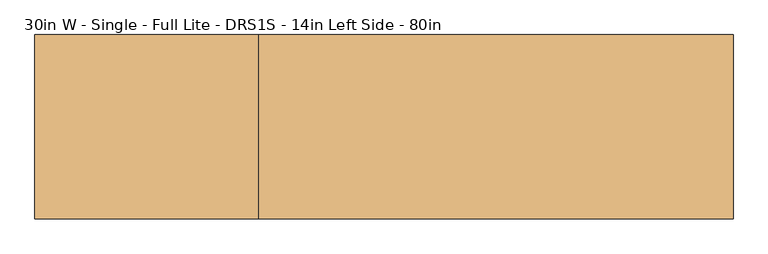
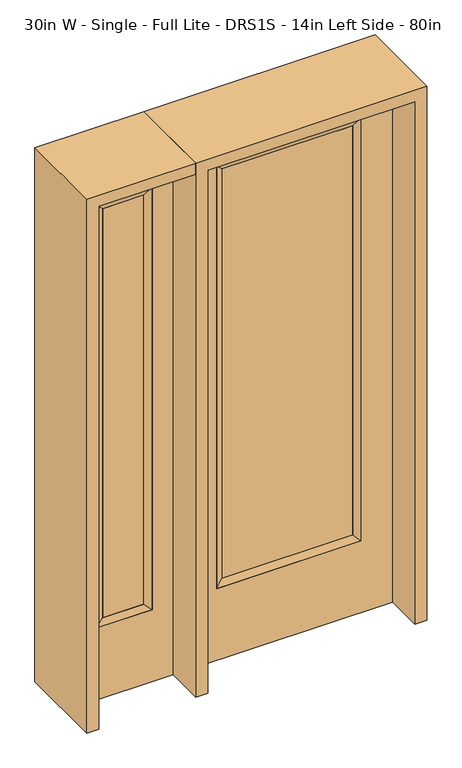
"""IFC4 building model written with IfcOpenShell, lengths in millimetres: door geometry, 30in W - Single - Full Lite - DRS1S - 14in Left Side - 80in."""

from ifc_helpers import new_model, si_unit, frame, origin, place, context, project, spatial, polyline, outline, extrude, faceted_brep, source, transform, mapped, element, save


def door_30in_w_single_full_lite_drs1s_14in_left_side_80in_197a90d0(model_context):
    return source(origin(), model_context, "Body", "SolidModel", [
        extrude(outline(polyline([(240.1824, -12.7039749), (-240.1824, -12.7039749), (-240.1824, 14.2875), (240.1824, 14.2875), (240.1824, -12.7039749)])), frame((0.0, 0.0, 304.8), z_axis=(0.0, 0.0, 1.0), x_axis=(1.0, 0.0, 0.0)), (0.0, 0.0, 1.0), 1591.1576),
        faceted_brep([(240.1824, 14.2875, 1895.9576), (265.5824, 22.225, 1921.3576), (265.5824, 22.225, 279.4), (240.1824, 14.2875, 304.8), (265.5824, -22.225, 1921.3576), (265.5824, -22.225, 279.4), (-265.5824, 22.225, 279.4), (-240.1824, 14.2875, 304.8), (240.1824, -12.7039749, 1895.9576), (240.1824, -12.7039749, 304.8), (-240.1824, -12.7039749, 304.8), (-265.5824, -22.225, 279.4), (-265.5824, 22.225, 1921.3576), (-240.1824, 14.2875, 1895.9576), (-240.1824, -12.7039749, 1895.9576), (-265.5824, -22.225, 1921.3576)], [[[0, 1, 2, 3]], [[1, 4, 5, 2]], [[3, 2, 6, 7]], [[8, 0, 3, 9]], [[9, 3, 7, 10]], [[4, 8, 9, 5]], [[5, 9, 10, 11]], [[2, 5, 11, 6]], [[7, 6, 12, 13]], [[10, 7, 13, 14]], [[11, 10, 14, 15]], [[6, 11, 15, 12]], [[13, 12, 1, 0]], [[14, 13, 0, 8]], [[15, 14, 8, 4]], [[12, 15, 4, 1]]]),
        extrude(outline(polyline([(0.0, -381.0), (0.0, 381.0), (2032.0, 381.0), (2032.0, -381.0), (0.0, -381.0)]), holes=[polyline([(279.4, -265.5824), (1921.3576, -265.5824), (1921.3576, 265.5824), (279.4, 265.5824), (279.4, -265.5824)])]), frame((0.0, -22.225, 0.0), z_axis=(0.0, 1.0, 0.0), x_axis=(0.0, 0.0, 1.0)), (0.0, 0.0, 1.0), 44.45),
        faceted_brep([(-501.65, 20.6375, 1920.875), (-501.65, -20.6375, 1920.875), (-501.65, -20.6375, 279.4), (-501.65, 20.6375, 279.4), (-527.05, -12.7, 1895.475), (-527.05, -12.7, 304.8), (-704.85, -20.6375, 279.4), (-704.85, 20.6375, 279.4), (-527.05, 12.7, 1895.475), (-527.05, 12.7, 304.8), (-679.45, 12.7, 304.8), (-679.45, -12.7, 304.8), (-704.85, -20.6375, 1920.875), (-704.85, 20.6375, 1920.875), (-679.45, 12.7, 1895.475), (-679.45, -12.7, 1895.475)], [[[0, 1, 2, 3]], [[1, 4, 5, 2]], [[3, 2, 6, 7]], [[8, 0, 3, 9]], [[9, 3, 7, 10]], [[4, 8, 9, 5]], [[5, 9, 10, 11]], [[2, 5, 11, 6]], [[7, 6, 12, 13]], [[10, 7, 13, 14]], [[11, 10, 14, 15]], [[6, 11, 15, 12]], [[13, 12, 1, 0]], [[14, 13, 0, 8]], [[15, 14, 8, 4]], [[12, 15, 4, 1]]]),
        extrude(outline(polyline([(0.0, -781.05), (0.0, -425.45), (2032.0, -425.45), (2032.0, -781.05), (0.0, -781.05)]), holes=[polyline([(1920.875, -501.65), (279.4, -501.65), (279.4, -704.85), (1920.875, -704.85), (1920.875, -501.65)])]), frame((0.0, -20.6375, 0.0), z_axis=(0.0, 1.0, 0.0), x_axis=(0.0, 0.0, 1.0)), (0.0, 0.0, 1.0), 41.275),
        extrude(outline(polyline([(-527.05, -12.7), (-679.45, -12.7), (-679.45, 12.7), (-527.05, 12.7), (-527.05, -12.7)])), frame((0.0, 0.0, 304.8), z_axis=(0.0, 0.0, 1.0), x_axis=(1.0, 0.0, 0.0)), (0.0, 0.0, 1.0), 1590.675),
        extrude(outline(polyline([(2032.0, -425.45), (2076.45, -425.45), (2076.45, -825.5), (0.0, -825.5), (0.0, -781.05), (2032.0, -781.05), (2032.0, -425.45)])), frame((0.0, -165.1, 0.0), z_axis=(0.0, 1.0, 0.0), x_axis=(0.0, 0.0, 1.0)), (0.0, 0.0, 1.0), 330.2),
        extrude(outline(polyline([(2076.45, -425.45), (0.0, -425.45), (0.0, -381.0), (2032.0, -381.0), (2032.0, 381.0), (0.0, 381.0), (0.0, 425.45), (2076.45, 425.45), (2076.45, -425.45)])), frame((0.0, -165.1, 0.0), z_axis=(0.0, 1.0, 0.0), x_axis=(0.0, 0.0, 1.0)), (0.0, 0.0, 1.0), 330.2),
    ])


if __name__ == "__main__":
    model = new_model("IFC4")
    model_context = context("Model", 3, world=origin())
    ifc_project = project(units=[si_unit("LENGTHUNIT", "METRE", prefix="MILLI")], contexts=[model_context])
    site = spatial("IfcSite", under=ifc_project)
    building = spatial("IfcBuilding", under=site)
    placement = place(None, origin())
    door_30in_w_single_full_lite_drs1s_14in_left_side_80in_shape = door_30in_w_single_full_lite_drs1s_14in_left_side_80in_197a90d0(model_context)
    element("IfcDoor", 1, ObjectType="30in W - Single - Full Lite - DRS1S - 14in Left Side - 80in", at=placement, inside=building, context=model_context, shape_type="MappedRepresentation", body=[
        mapped(door_30in_w_single_full_lite_drs1s_14in_left_side_80in_shape, transform((0.0, 0.0, 0.0), x_axis=(1.0, 0.0, 0.0), y_axis=(0.0, 1.0, 0.0), z_axis=(0.0, 0.0, 1.0))),
    ])
    save(model, "model.ifc")
